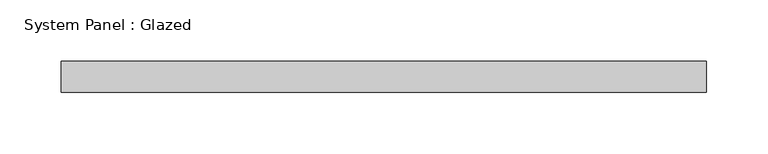
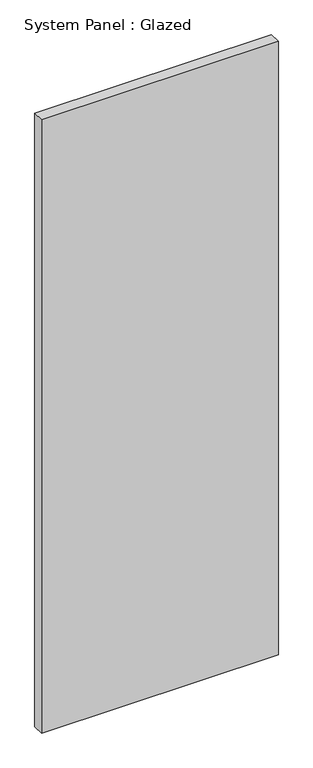
"""IFC4 building model written with IfcOpenShell, lengths in millimetres: plate geometry, System Panel : Glazed."""

from ifc_helpers import new_model, si_unit, origin, origin_with_axes, place, context, project, spatial, polyline, outline, extrude, source, transform, mapped, element, save


def system_panel_glazed_303d4290(model_context):
    return source(origin(), model_context, "Body", "SweptSolid", [
        extrude(outline(polyline([(263.525, 0.0), (-263.525, 0.0), (-263.525, 25.4), (263.525, 25.4), (263.525, 0.0)])), origin_with_axes(), (0.0, 0.0, 1.0), 1441.45),
    ])


if __name__ == "__main__":
    model = new_model("IFC4")
    model_context = context("Model", 3, world=origin())
    ifc_project = project(units=[si_unit("LENGTHUNIT", "METRE", prefix="MILLI")], contexts=[model_context])
    site = spatial("IfcSite", under=ifc_project)
    building = spatial("IfcBuilding", under=site)
    placement = place(None, origin())
    system_panel_glazed_shape = system_panel_glazed_303d4290(model_context)
    element("IfcPlate", 1, ObjectType="System Panel : Glazed", at=placement, inside=building, context=model_context, shape_type="MappedRepresentation", body=[
        mapped(system_panel_glazed_shape, transform((0.0, 0.0, 0.0), x_axis=(1.0, 0.0, 0.0), y_axis=(0.0, 1.0, 0.0), z_axis=(0.0, 0.0, 1.0))),
    ])
    save(model, "model.ifc")
